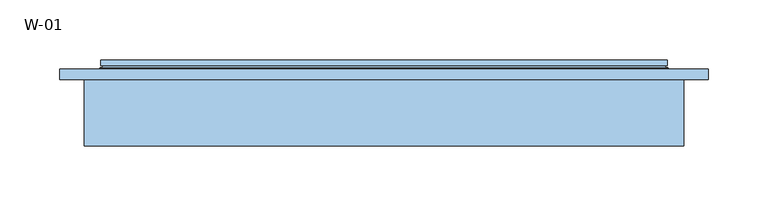
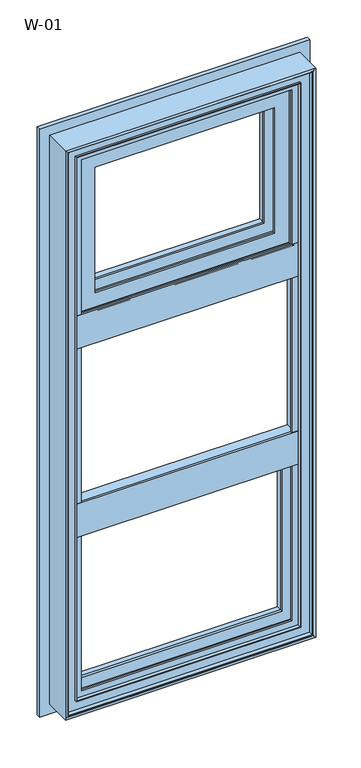
"""IFC4 building model written with IfcOpenShell, lengths in millimetres: window geometry, W-01."""

from ifc_helpers import new_model, si_unit, frame, origin, place, context, project, spatial, polyline, ellipse_curve, outline, extrude, source, transform, mapped, element, save
from ifc_brep_helpers import plane_surface, cylinder_surface, revolved_surface, advanced_brep


def w_01_4d42a8ba(model_context):
    return source(origin(), model_context, "Body", "SolidModel", [
        advanced_brep(
        [(235.8588651, 121.9999121, 1685.8588651), (235.8588651, 121.9999121, 1307.4744682), (235.8588651, 126.5999121, 1307.4744682), (235.8588651, 126.5999121, 1685.8588651), (-235.8588651, 126.5999121, 1685.8588651), (-235.8588651, 126.5999121, 1307.4744682), (199.3588651, 126.5999121, 1649.3588651), (-199.3588651, 126.5999121, 1649.3588651), (-199.3588651, 126.5999121, 1343.9744682), (199.3588651, 126.5999121, 1343.9744682), (-235.8588651, 121.9999121, 1307.4744682), (-235.8588651, 121.9999121, 1685.8588651), (-233.7537664, 121.9999121, 1683.7537664), (233.7537664, 121.9999121, 1683.7537664), (233.7537664, 121.9999121, 1309.5795669), (-233.7537664, 121.9999121, 1309.5795669), (236.4637148, 119.9946866, 1686.4637148), (236.4637148, 119.9946866, 1306.8696185), (-236.4637148, 119.9946866, 1306.8696185), (237.2086873, 118.9999537, 1687.2086873), (237.2086873, 118.9999537, 1306.1246461), (-237.2086873, 118.9999537, 1306.1246461), (-237.2086873, 118.9999537, 1687.2086873), (-218.3588678, 118.9999537, 1668.3588678), (218.3588678, 118.9999537, 1668.3588678), (218.3588678, 118.9999537, 1324.9744656), (-218.3588678, 118.9999537, 1324.9744656), (218.3588678, 76.0999005, 1668.3588678), (218.3588678, 76.0999005, 1324.9744656), (-218.3588678, 76.0999005, 1324.9744656), (217.8588679, 75.5999006, 1667.8588679), (217.8588679, 75.5999006, 1325.4744654), (-217.8588679, 75.5999006, 1325.4744654), (218.144223, 74.6078271, 1668.144223), (218.144223, 74.6078271, 1325.1891103), (-218.144223, 74.6078271, 1325.1891103), (215.4347904, 72.6034445, 1665.4347904), (215.4347904, 72.6034445, 1327.8985429), (-215.4347904, 72.6034445, 1327.8985429), (-215.4347904, 72.6034445, 1665.4347904), (-212.0349667, 72.6034445, 1662.0349667), (212.0349667, 72.6034445, 1662.0349667), (212.0349667, 72.6034445, 1331.2983666), (-212.0349667, 72.6034445, 1331.2983666), (208.8054323, 74.6078271, 1658.8054323), (208.8054323, 74.6078271, 1334.527901), (-208.8054323, 74.6078271, 1334.527901), (208.340576, 75.5999039, 1658.340576), (208.340576, 75.5999039, 1334.9927573), (-208.340576, 75.5999039, 1334.9927573), (-208.340576, 75.5999039, 1658.340576), (-179.3588709, 75.5999039, 1629.3588709), (179.3588709, 75.5999039, 1629.3588709), (179.3588709, 75.5999039, 1363.9744624), (-179.3588709, 75.5999039, 1363.9744624), (179.3588709, 80.1999039, 1629.3588709), (179.3588709, 80.1999039, 1363.9744624), (-179.3588709, 80.1999039, 1363.9744624), (-199.3588651, 80.1999039, 1649.3588651), (199.3588651, 80.1999039, 1649.3588651), (199.3588651, 80.1999039, 1343.9744682), (-199.3588651, 80.1999039, 1343.9744682), (-179.3588709, 80.1999039, 1629.3588709), (-236.4637148, 119.9946866, 1686.4637148), (-218.3588678, 76.0999005, 1668.3588678), (-217.8588679, 75.5999006, 1667.8588679), (-218.144223, 74.6078271, 1668.144223), (-208.8054323, 74.6078271, 1658.8054323)],
        [
            (0, 1),
            (1, 2),
            (2, 3),
            (3, 0),
            (4, 3),
            (2, 5),
            (5, 4),
            (6, 7),
            (7, 8),
            (8, 9),
            (9, 6),
            (1, 10),
            (10, 5),
            (0, 11),
            (11, 10),
            (12, 13),
            (13, 14),
            (14, 15),
            (15, 12),
            (16, 17),
            (17, 14, ellipse_curve(frame((237.5848432, 124.3436113, 1305.7484901), z_axis=(-0.7071067811865475, 0.0, -0.7071067811865475), x_axis=(0.7071067811865474, 0.0, -0.7071067811865476)), 6.3513896, 4.4911107)),
            (13, 16, ellipse_curve(frame((237.5848432, 124.3436113, 1687.5848432), z_axis=(-0.7071067811865475, 0.0, 0.7071067811865475), x_axis=(-0.7071067811865474, 0.0, -0.7071067811865476)), 6.3513896, 4.4911107)),
            (17, 18),
            (18, 15, ellipse_curve(frame((-237.5848432, 124.3436113, 1305.7484901), z_axis=(-0.7071067811865475, 0.0, 0.7071067811865475), x_axis=(-0.7071067811865476, 0.0, -0.7071067811865474)), 6.3513896, 4.4911107)),
            (19, 20),
            (20, 17),
            (16, 19),
            (20, 21),
            (21, 18),
            (19, 22),
            (22, 21),
            (23, 24),
            (24, 25),
            (25, 26),
            (26, 23),
            (27, 28),
            (28, 25),
            (24, 27),
            (28, 29),
            (29, 26),
            (30, 31),
            (31, 28, ellipse_curve(frame((217.8588679, 76.0999005, 1325.4744654), z_axis=(0.7071067811865475, 0.0, 0.7071067811865475), x_axis=(-0.7071067811865474, 0.0, 0.7071067811865476)), 0.7071066, 0.4999999)),
            (27, 30, ellipse_curve(frame((217.8588679, 76.0999005, 1667.8588679), z_axis=(0.7071067811865475, 0.0, -0.7071067811865475), x_axis=(0.7071067811865474, 0.0, 0.7071067811865476)), 0.7071066, 0.4999999)),
            (31, 32),
            (32, 29, ellipse_curve(frame((-217.8588679, 76.0999005, 1325.4744654), z_axis=(0.7071067811865475, 0.0, -0.7071067811865475), x_axis=(0.7071067811865476, 0.0, 0.7071067811865474)), 0.7071066, 0.4999999)),
            (33, 34),
            (34, 31),
            (30, 33),
            (34, 35),
            (35, 32),
            (36, 37),
            (37, 34, ellipse_curve(frame((219.2653514, 70.2589024, 1324.0679819), z_axis=(-0.7071067811865475, 0.0, -0.7071067811865475), x_axis=(0.7071067811865474, 0.0, -0.7071067811865476)), 6.3513896, 4.4911107)),
            (33, 36, ellipse_curve(frame((219.2653514, 70.2589024, 1669.2653514), z_axis=(-0.7071067811865475, 0.0, 0.7071067811865475), x_axis=(-0.7071067811865474, 0.0, -0.7071067811865476)), 6.3513896, 4.4911107)),
            (37, 38),
            (38, 35, ellipse_curve(frame((-219.2653514, 70.2589024, 1324.0679819), z_axis=(-0.7071067811865475, 0.0, 0.7071067811865475), x_axis=(-0.7071067811865476, 0.0, -0.7071067811865474)), 6.3513896, 4.4911107)),
            (36, 39),
            (39, 38),
            (40, 41),
            (41, 42),
            (42, 43),
            (43, 40),
            (44, 45),
            (45, 42, ellipse_curve(frame((208.5540914, 70.5988943, 1334.779242), z_axis=(-0.7071067811865475, 0.0, -0.7071067811865475), x_axis=(0.7071067811865474, 0.0, -0.7071067811865476)), 5.6806187, 4.016804)),
            (41, 44, ellipse_curve(frame((208.5540914, 70.5988943, 1658.5540914), z_axis=(-0.7071067811865475, 0.0, 0.7071067811865475), x_axis=(-0.7071067811865474, 0.0, -0.7071067811865476)), 5.6806187, 4.016804)),
            (45, 46),
            (46, 43, ellipse_curve(frame((-208.5540914, 70.5988943, 1334.779242), z_axis=(-0.7071067811865475, 0.0, 0.7071067811865475), x_axis=(-0.7071067811865476, 0.0, -0.7071067811865474)), 5.6806187, 4.016804)),
            (47, 48),
            (48, 45),
            (44, 47),
            (48, 49),
            (49, 46),
            (47, 50),
            (50, 49),
            (51, 52),
            (52, 53),
            (53, 54),
            (54, 51),
            (55, 56),
            (56, 53),
            (52, 55),
            (56, 57),
            (57, 54),
            (58, 59),
            (59, 60),
            (60, 61),
            (61, 58),
            (55, 62),
            (62, 57),
            (9, 60),
            (59, 6),
            (8, 61),
            (11, 4),
            (18, 63),
            (63, 12, ellipse_curve(frame((-237.5848432, 124.3436113, 1687.5848432), z_axis=(0.7071067811865475, 0.0, 0.7071067811865475), x_axis=(-0.7071067811865474, 0.0, 0.7071067811865476)), 6.3513896, 4.4911107)),
            (22, 63),
            (29, 64),
            (64, 23),
            (32, 65),
            (65, 64, ellipse_curve(frame((-217.8588679, 76.0999005, 1667.8588679), z_axis=(-0.7071067811865475, 0.0, -0.7071067811865475), x_axis=(0.7071067811865474, 0.0, -0.7071067811865476)), 0.7071066, 0.4999999)),
            (35, 66),
            (66, 65),
            (39, 66, ellipse_curve(frame((-219.2653514, 70.2589024, 1669.2653514), z_axis=(0.7071067811865475, 0.0, 0.7071067811865475), x_axis=(-0.7071067811865474, 0.0, 0.7071067811865476)), 6.3513896, 4.4911107)),
            (46, 67),
            (67, 40, ellipse_curve(frame((-208.5540914, 70.5988943, 1658.5540914), z_axis=(0.7071067811865475, 0.0, 0.7071067811865475), x_axis=(-0.7071067811865474, 0.0, 0.7071067811865476)), 5.6806187, 4.016804)),
            (50, 67),
            (62, 51),
            (7, 58),
            (63, 16),
            (64, 27),
            (65, 30),
            (66, 33),
            (67, 44),
        ],
        [
            plane_surface(frame((235.8588651, 126.5999121, 1685.8588651), z_axis=(1.0, 0.0, 0.0), x_axis=(0.0, 0.0, -1.0))),
            plane_surface(frame((-199.3588651, 126.5999121, 1343.9744682), z_axis=(0.0, 1.0, 0.0), x_axis=(0.0, 0.0, 1.0))),
            plane_surface(frame((235.8588651, 126.5999121, 1307.4744682), z_axis=(0.0, 0.0, -1.0), x_axis=(-1.0, 0.0, 0.0))),
            plane_surface(frame((-235.8588651, 121.9999121, 1307.4744682), z_axis=(0.0, -1.0, 0.0), x_axis=(0.0, 0.0, 1.0))),
            revolved_surface(polyline([(242.0759539, 124.3436113, 1301.2573794438822), (242.0759539, 124.3436113, 1692.0759538561178)]), (237.5848432, 124.3436113, 1700.0), (0.0, 0.0, -1.0)),
            revolved_surface(polyline([(-242.07595385611774, 124.3436113, 1301.2573794), (242.0759538561177, 124.3436113, 1301.2573794)]), (250.0, 124.3436113, 1305.7484901), (-1.0, 0.0, 0.0)),
            plane_surface(frame((236.4637148, 119.9946866, 1686.4637148), z_axis=(0.8004158635848707, 0.5994451145198247, 0.0), x_axis=(0.0, 0.0, -1.0))),
            plane_surface(frame((236.4637148, 119.9946866, 1306.8696185), z_axis=(0.0, 0.5994451145198296, -0.800415863584867), x_axis=(-1.0, 0.0, 0.0))),
            plane_surface(frame((-237.2086873, 118.9999537, 1306.1246461), z_axis=(0.0, -1.0, 0.0), x_axis=(0.0, 0.0, 1.0))),
            plane_surface(frame((218.3588678, 118.9999537, 1668.3588678), z_axis=(1.0, 0.0, 0.0), x_axis=(0.0, 0.0, -1.0))),
            plane_surface(frame((218.3588678, 118.9999537, 1324.9744656), z_axis=(0.0, 0.0, -1.0), x_axis=(-1.0, 0.0, 0.0))),
            cylinder_surface(frame((217.8588679, 76.0999005, 1700.0), z_axis=(0.0, 0.0, 1.0), x_axis=(1.0, 0.0, 0.0)), 0.4999999),
            cylinder_surface(frame((250.0, 76.0999005, 1325.4744654), z_axis=(1.0, 0.0, 0.0), x_axis=(0.0, 0.0, -1.0)), 0.4999999),
            plane_surface(frame((217.8588679, 75.5999006, 1667.8588679), z_axis=(0.9610348327667624, 0.27642729642522856, 0.0), x_axis=(0.0, 0.0, -1.0))),
            plane_surface(frame((217.8588679, 75.5999006, 1325.4744654), z_axis=(0.0, 0.27642729642523445, -0.9610348327667607), x_axis=(-1.0, 0.0, 0.0))),
            revolved_surface(polyline([(223.7564621, 70.2589024, 1319.5768712438821), (223.7564621, 70.2589024, 1673.756462056118)]), (219.2653514, 70.2589024, 1700.0), (0.0, 0.0, -1.0)),
            revolved_surface(polyline([(-223.7564620561177, 70.2589024, 1319.5768712), (223.7564620561177, 70.2589024, 1319.5768712)]), (250.0, 70.2589024, 1324.0679819), (-1.0, 0.0, 0.0)),
            plane_surface(frame((-215.4347904, 72.6034445, 1327.8985429), z_axis=(0.0, -1.0, 0.0), x_axis=(0.0, 0.0, 1.0))),
            revolved_surface(polyline([(212.5708954, 70.5988943, 1330.762437995895), (212.5708954, 70.5988943, 1662.5708954041052)]), (208.5540914, 70.5988943, 1700.0), (0.0, 0.0, -1.0)),
            revolved_surface(polyline([(-212.5708954041051, 70.5988943, 1330.762438), (212.5708954041051, 70.5988943, 1330.762438)]), (250.0, 70.5988943, 1334.779242), (-1.0, 0.0, 0.0)),
            plane_surface(frame((208.8054323, 74.6078271, 1658.8054323), z_axis=(-0.9055219642805072, -0.4242993898246519, 0.0), x_axis=(0.0, 0.0, -1.0))),
            plane_surface(frame((208.8054323, 74.6078271, 1334.527901), z_axis=(0.0, -0.4242993898246574, 0.9055219642805047), x_axis=(-1.0, 0.0, 0.0))),
            plane_surface(frame((-208.340576, 75.5999039, 1334.9927573), z_axis=(0.0, -1.0, 0.0), x_axis=(0.0, 0.0, 1.0))),
            plane_surface(frame((179.3588709, 75.5999039, 1629.3588709), z_axis=(-1.0, 0.0, 0.0), x_axis=(0.0, 0.0, -1.0))),
            plane_surface(frame((179.3588709, 75.5999039, 1363.9744624), z_axis=(0.0, 0.0, 1.0), x_axis=(-1.0, 0.0, 0.0))),
            plane_surface(frame((-179.3588709, 80.1999039, 1363.9744624), z_axis=(0.0, 1.0, 0.0), x_axis=(0.0, 0.0, 1.0))),
            plane_surface(frame((199.3588651, 80.1999039, 1649.3588651), z_axis=(-1.0, 0.0, 0.0), x_axis=(0.0, 0.0, -1.0))),
            plane_surface(frame((199.3588651, 80.1999039, 1343.9744682), z_axis=(0.0, 0.0, 1.0), x_axis=(-1.0, 0.0, 0.0))),
            plane_surface(frame((-235.8588651, 126.5999121, 1307.4744682), z_axis=(-1.0, 0.0, 0.0), x_axis=(0.0, 0.0, 1.0))),
            revolved_surface(polyline([(-242.0759539, 124.3436113, 1692.0759538561178), (-242.0759539, 124.3436113, 1301.2573794438822)]), (-237.5848432, 124.3436113, 1293.3333333), (0.0, 0.0, 1.0)),
            plane_surface(frame((-236.4637148, 119.9946866, 1306.8696185), z_axis=(-0.8004158635848634, 0.5994451145198345, 0.0), x_axis=(0.0, 0.0, 1.0))),
            plane_surface(frame((-218.3588678, 118.9999537, 1324.9744656), z_axis=(-1.0, 0.0, 0.0), x_axis=(0.0, 0.0, 1.0))),
            cylinder_surface(frame((-217.8588679, 76.0999005, 1293.3333333), z_axis=(0.0, 0.0, -1.0), x_axis=(-1.0, 0.0, 0.0)), 0.4999999),
            plane_surface(frame((-217.8588679, 75.5999006, 1325.4744654), z_axis=(-0.961034832766759, 0.27642729642524033, 0.0), x_axis=(0.0, 0.0, 1.0))),
            revolved_surface(polyline([(-223.7564621, 70.2589024, 1673.756462056118), (-223.7564621, 70.2589024, 1319.5768712438821)]), (-219.2653514, 70.2589024, 1293.3333333), (0.0, 0.0, 1.0)),
            revolved_surface(polyline([(-212.5708954, 70.5988943, 1662.5708954041052), (-212.5708954, 70.5988943, 1330.762437995895)]), (-208.5540914, 70.5988943, 1293.3333333), (0.0, 0.0, 1.0)),
            plane_surface(frame((-208.8054323, 74.6078271, 1334.527901), z_axis=(0.9055219642805021, -0.424299389824663, 0.0), x_axis=(0.0, 0.0, 1.0))),
            plane_surface(frame((-179.3588709, 75.5999039, 1363.9744624), z_axis=(1.0, 0.0, 0.0), x_axis=(0.0, 0.0, 1.0))),
            plane_surface(frame((-199.3588651, 80.1999039, 1343.9744682), z_axis=(1.0, 0.0, 0.0), x_axis=(0.0, 0.0, 1.0))),
            plane_surface(frame((-235.8588651, 126.5999121, 1685.8588651), z_axis=(0.0, 0.0, 1.0), x_axis=(1.0, 0.0, 0.0))),
            revolved_surface(polyline([(242.07595385611774, 124.3436113, 1692.0759539), (-242.0759538561177, 124.3436113, 1692.0759539)]), (-250.0, 124.3436113, 1687.5848432), (1.0, 0.0, 0.0)),
            plane_surface(frame((-236.4637148, 119.9946866, 1686.4637148), z_axis=(0.0, 0.5994451145198296, 0.800415863584867), x_axis=(1.0, 0.0, 0.0))),
            plane_surface(frame((-218.3588678, 118.9999537, 1668.3588678), z_axis=(0.0, 0.0, 1.0), x_axis=(1.0, 0.0, 0.0))),
            cylinder_surface(frame((-250.0, 76.0999005, 1667.8588679), z_axis=(-1.0, 0.0, 0.0), x_axis=(0.0, 0.0, 1.0)), 0.4999999),
            plane_surface(frame((-217.8588679, 75.5999006, 1667.8588679), z_axis=(0.0, 0.27642729642523445, 0.9610348327667607), x_axis=(1.0, 0.0, 0.0))),
            revolved_surface(polyline([(223.7564620561177, 70.2589024, 1673.7564621000001), (-223.7564620561177, 70.2589024, 1673.7564621000001)]), (-250.0, 70.2589024, 1669.2653514), (1.0, 0.0, 0.0)),
            revolved_surface(polyline([(212.5708954041051, 70.5988943, 1662.5708954000002), (-212.5708954041051, 70.5988943, 1662.5708954000002)]), (-250.0, 70.5988943, 1658.5540914), (1.0, 0.0, 0.0)),
            plane_surface(frame((-208.8054323, 74.6078271, 1658.8054323), z_axis=(0.0, -0.4242993898246574, -0.9055219642805047), x_axis=(1.0, 0.0, 0.0))),
            plane_surface(frame((-179.3588709, 75.5999039, 1629.3588709), z_axis=(0.0, 0.0, -1.0), x_axis=(1.0, 0.0, 0.0))),
            plane_surface(frame((-199.3588651, 80.1999039, 1649.3588651), z_axis=(0.0, 0.0, -1.0), x_axis=(1.0, 0.0, 0.0))),
        ],
        [
            (0, [[1, 2, 3, 4]]),
            (1, [[5, -3, 6, 7], [8, 9, 10, 11]]),
            (2, [[12, 13, -6, -2]]),
            (3, [[14, 15, -12, -1], [16, 17, 18, 19]]),
            (4, [[20, 21, -17, 22]]),
            (5, [[23, 24, -18, -21]]),
            (6, [[25, 26, -20, 27]]),
            (7, [[28, 29, -23, -26]]),
            (8, [[30, 31, -28, -25], [32, 33, 34, 35]]),
            (9, [[36, 37, -33, 38]]),
            (10, [[39, 40, -34, -37]]),
            (11, [[41, 42, -36, 43]]),
            (12, [[44, 45, -39, -42]]),
            (13, [[46, 47, -41, 48]]),
            (14, [[49, 50, -44, -47]]),
            (15, [[51, 52, -46, 53]]),
            (16, [[54, 55, -49, -52]]),
            (17, [[56, 57, -54, -51], [58, 59, 60, 61]]),
            (18, [[62, 63, -59, 64]]),
            (19, [[65, 66, -60, -63]]),
            (20, [[67, 68, -62, 69]]),
            (21, [[70, 71, -65, -68]]),
            (22, [[72, 73, -70, -67], [74, 75, 76, 77]]),
            (23, [[78, 79, -75, 80]]),
            (24, [[81, 82, -76, -79]]),
            (25, [[83, 84, 85, 86], [87, 88, -81, -78]]),
            (26, [[-11, 89, -84, 90]]),
            (27, [[-10, 91, -85, -89]]),
            (28, [[-15, 92, -7, -13]]),
            (29, [[93, 94, -19, -24]]),
            (30, [[-31, 95, -93, -29]]),
            (31, [[96, 97, -35, -40]]),
            (32, [[98, 99, -96, -45]]),
            (33, [[100, 101, -98, -50]]),
            (34, [[-57, 102, -100, -55]]),
            (35, [[103, 104, -61, -66]]),
            (36, [[-73, 105, -103, -71]]),
            (37, [[-88, 106, -77, -82]]),
            (38, [[-9, 107, -86, -91]]),
            (39, [[-14, -4, -5, -92]]),
            (40, [[108, -22, -16, -94]]),
            (41, [[-30, -27, -108, -95]]),
            (42, [[109, -38, -32, -97]]),
            (43, [[110, -43, -109, -99]]),
            (44, [[111, -48, -110, -101]]),
            (45, [[-56, -53, -111, -102]]),
            (46, [[112, -64, -58, -104]]),
            (47, [[-72, -69, -112, -105]]),
            (48, [[-87, -80, -74, -106]]),
            (49, [[-8, -90, -83, -107]]),
        ],
    ),
        extrude(outline(polyline([(68.9990172, 1263.3332985), (68.9990172, 1333.333336), (72.5990172, 1333.333336), (72.5990172, 1313.333352), (118.9999375, 1313.333352), (118.9999375, 1283.3333146), (72.5990172, 1283.3333146), (72.5990172, 1263.3332985), (68.9990172, 1263.3332985)])), frame((-230.0, 0.0, 0.0), z_axis=(1.0, 0.0, 0.0), x_axis=(0.0, 1.0, 0.0)), (0.0, 0.0, 1.0), 460.0),
        advanced_brep(
        [(-179.4, 115.322822, 1629.4), (-177.2575034, 107.9927198, 1627.2575034), (-177.2575034, 107.9927198, 1366.0758299), (-179.4, 115.322822, 1363.9333333), (-179.4, 126.5999122, 1629.4), (-179.4, 126.5999122, 1363.9333333), (-199.4, 107.9927198, 1649.4), (-199.4, 126.5999122, 1649.4), (-199.4, 126.5999122, 1343.9333333), (-199.4, 107.9927198, 1343.9333333), (177.2575034, 107.9927198, 1366.0758299), (179.4, 115.322822, 1363.9333333), (179.4, 126.5999122, 1363.9333333), (199.4, 126.5999122, 1343.9333333), (199.4, 107.9927198, 1343.9333333), (177.2575034, 107.9927198, 1627.2575034), (179.4, 115.322822, 1629.4), (179.4, 126.5999122, 1629.4), (199.4, 126.5999122, 1649.4), (199.4, 107.9927198, 1649.4)],
        [
            (0, 1, ellipse_curve(frame((-159.7925883, 117.0756581, 1609.7925883), z_axis=(0.7071067811865475, 0.0, 0.7071067811865475), x_axis=(0.7071067811865474, 0.0, -0.7071067811865476)), 27.839649, 19.6856046)),
            (1, 2),
            (2, 3, ellipse_curve(frame((-159.7925883, 117.0756581, 1383.5407451), z_axis=(0.7071067811865475, 0.0, -0.7071067811865475), x_axis=(-0.7071067811865474, 0.0, -0.7071067811865476)), 27.839649, 19.6856046)),
            (3, 0),
            (4, 0),
            (3, 5),
            (5, 4),
            (6, 7),
            (7, 8),
            (8, 9),
            (9, 6),
            (2, 10),
            (10, 11, ellipse_curve(frame((159.7925883, 117.0756581, 1383.5407451), z_axis=(0.7071067811865475, 0.0, 0.7071067811865475), x_axis=(0.7071067811865476, 0.0, -0.7071067811865474)), 27.839649, 19.6856046)),
            (11, 3),
            (11, 12),
            (12, 5),
            (8, 13),
            (13, 14),
            (14, 9),
            (10, 15),
            (15, 16, ellipse_curve(frame((159.7925883, 117.0756581, 1609.7925883), z_axis=(-0.7071067811865475, 0.0, 0.7071067811865475), x_axis=(0.7071067811865474, 0.0, 0.7071067811865476)), 27.839649, 19.6856046)),
            (16, 11),
            (16, 17),
            (17, 12),
            (13, 18),
            (18, 19),
            (19, 14),
            (19, 6),
            (1, 15),
            (0, 16),
            (4, 17),
            (7, 18),
        ],
        [
            revolved_surface(polyline([(-179.4781929, 117.0756581, 1363.8551405062467), (-179.4781929, 117.0756581, 1629.4781928937534)]), (-159.7925883, 117.0756581, 1649.4), (0.0, 0.0, -1.0)),
            plane_surface(frame((-179.4, 115.322822, 1629.4), z_axis=(1.0, 0.0, 0.0), x_axis=(0.0, 0.0, -1.0))),
            plane_surface(frame((-199.4, 126.5999122, 1649.4), z_axis=(-1.0, 0.0, 0.0), x_axis=(0.0, 0.0, -1.0))),
            revolved_surface(polyline([(179.4781928937533, 117.0756581, 1363.8551405), (-179.4781928937533, 117.0756581, 1363.8551405)]), (-199.4, 117.0756581, 1383.5407451), (1.0, 0.0, 0.0)),
            plane_surface(frame((-179.4, 115.322822, 1363.9333333), z_axis=(0.0, 0.0, 1.0), x_axis=(1.0, 0.0, 0.0))),
            plane_surface(frame((-199.4, 126.5999122, 1343.9333333), z_axis=(0.0, 0.0, -1.0), x_axis=(1.0, 0.0, 0.0))),
            revolved_surface(polyline([(179.4781929, 117.0756581, 1629.4781928937532), (179.4781929, 117.0756581, 1363.8551405062467)]), (159.7925883, 117.0756581, 1343.9333333), (0.0, 0.0, 1.0)),
            plane_surface(frame((179.4, 115.322822, 1363.9333333), z_axis=(-1.0, 0.0, 0.0), x_axis=(0.0, 0.0, 1.0))),
            plane_surface(frame((199.4, 126.5999122, 1343.9333333), z_axis=(1.0, 0.0, 0.0), x_axis=(0.0, 0.0, 1.0))),
            plane_surface(frame((199.4, 107.9927198, 1649.4), z_axis=(0.0, -1.0, 0.0), x_axis=(-1.0, 0.0, 0.0))),
            revolved_surface(polyline([(-179.4781928937533, 117.0756581, 1629.4781929), (179.4781928937533, 117.0756581, 1629.4781929)]), (199.4, 117.0756581, 1609.7925883), (-1.0, 0.0, 0.0)),
            plane_surface(frame((179.4, 115.322822, 1629.4), z_axis=(0.0, 0.0, -1.0), x_axis=(-1.0, 0.0, 0.0))),
            plane_surface(frame((179.4, 126.5999122, 1629.4), z_axis=(0.0, 1.0, 0.0), x_axis=(-1.0, 0.0, 0.0))),
            plane_surface(frame((199.4, 126.5999122, 1649.4), z_axis=(0.0, 0.0, 1.0), x_axis=(-1.0, 0.0, 0.0))),
        ],
        [
            (0, [[1, 2, 3, 4]]),
            (1, [[5, -4, 6, 7]]),
            (2, [[8, 9, 10, 11]]),
            (3, [[-3, 12, 13, 14]]),
            (4, [[-6, -14, 15, 16]]),
            (5, [[-10, 17, 18, 19]]),
            (6, [[-13, 20, 21, 22]]),
            (7, [[-15, -22, 23, 24]]),
            (8, [[-18, 25, 26, 27]]),
            (9, [[-19, -27, 28, -11], [29, -20, -12, -2]]),
            (10, [[-21, -29, -1, 30]]),
            (11, [[-23, -30, -5, 31]]),
            (12, [[32, -25, -17, -9], [-16, -24, -31, -7]]),
            (13, [[-26, -32, -8, -28]]),
        ],
    ),
        extrude(outline(polyline([(68.9990172, 866.6666318), (68.9990172, 936.6666693), (72.5990172, 936.6666693), (72.5990172, 916.6666854), (118.9999375, 916.6666854), (118.9999375, 886.6666479), (72.5990172, 886.6666479), (72.5990172, 866.6666318), (68.9990172, 866.6666318)])), frame((-230.0, 0.0, 0.0), z_axis=(1.0, 0.0, 0.0), x_axis=(0.0, 1.0, 0.0)), (0.0, 0.0, 1.0), 460.0),
        advanced_brep(
        [(-210.0, 107.7228474, 866.6666667), (-207.8575034, 100.3927452, 864.5241701), (-207.8575034, 100.3927452, 542.1424966), (-210.0, 107.7228474, 540.0), (-210.0, 118.9999377, 866.6666667), (-210.0, 118.9999377, 540.0), (-230.0, 100.3927452, 886.6666667), (-230.0, 118.9999377, 886.6666667), (-230.0, 118.9999377, 520.0), (-230.0, 100.3927452, 520.0), (207.8575034, 100.3927452, 542.1424966), (210.0, 107.7228474, 540.0), (210.0, 118.9999377, 540.0), (230.0, 118.9999377, 520.0), (230.0, 100.3927452, 520.0), (207.8575034, 100.3927452, 864.5241701), (210.0, 107.7228474, 866.6666667), (210.0, 118.9999377, 866.6666667), (230.0, 118.9999377, 886.6666667), (230.0, 100.3927452, 886.6666667)],
        [
            (0, 1, ellipse_curve(frame((-190.3925883, 109.4756835, 847.0592549), z_axis=(0.7071067811865475, 0.0, 0.7071067811865475), x_axis=(0.7071067811865474, 0.0, -0.7071067811865476)), 27.839649, 19.6856046)),
            (1, 2),
            (2, 3, ellipse_curve(frame((-190.3925883, 109.4756835, 559.6074117), z_axis=(0.7071067811865475, 0.0, -0.7071067811865475), x_axis=(-0.7071067811865474, 0.0, -0.7071067811865476)), 27.839649, 19.6856046)),
            (3, 0),
            (4, 0),
            (3, 5),
            (5, 4),
            (6, 7),
            (7, 8),
            (8, 9),
            (9, 6),
            (2, 10),
            (10, 11, ellipse_curve(frame((190.3925883, 109.4756835, 559.6074117), z_axis=(0.7071067811865475, 0.0, 0.7071067811865475), x_axis=(0.7071067811865476, 0.0, -0.7071067811865474)), 27.839649, 19.6856046)),
            (11, 3),
            (11, 12),
            (12, 5),
            (8, 13),
            (13, 14),
            (14, 9),
            (10, 15),
            (15, 16, ellipse_curve(frame((190.3925883, 109.4756835, 847.0592549), z_axis=(-0.7071067811865475, 0.0, 0.7071067811865475), x_axis=(0.7071067811865474, 0.0, 0.7071067811865476)), 27.839649, 19.6856046)),
            (16, 11),
            (16, 17),
            (17, 12),
            (13, 18),
            (18, 19),
            (19, 14),
            (19, 6),
            (1, 15),
            (0, 16),
            (4, 17),
            (7, 18),
        ],
        [
            revolved_surface(polyline([(-210.0781929, 109.4756835, 539.9218071062467), (-210.0781929, 109.4756835, 866.7448594937533)]), (-190.3925883, 109.4756835, 886.6666667), (0.0, 0.0, -1.0)),
            plane_surface(frame((-210.0, 107.7228474, 866.6666667), z_axis=(1.0, 0.0, 0.0), x_axis=(0.0, 0.0, -1.0))),
            plane_surface(frame((-230.0, 118.9999377, 886.6666667), z_axis=(-1.0, 0.0, 0.0), x_axis=(0.0, 0.0, -1.0))),
            revolved_surface(polyline([(210.07819289375328, 109.4756835, 539.9218070999999), (-210.07819289375328, 109.4756835, 539.9218070999999)]), (-230.0, 109.4756835, 559.6074117), (1.0, 0.0, 0.0)),
            plane_surface(frame((-210.0, 107.7228474, 540.0), z_axis=(0.0, 0.0, 1.0), x_axis=(1.0, 0.0, 0.0))),
            plane_surface(frame((-230.0, 118.9999377, 520.0), z_axis=(0.0, 0.0, -1.0), x_axis=(1.0, 0.0, 0.0))),
            revolved_surface(polyline([(210.0781929, 109.4756835, 866.7448594937533), (210.0781929, 109.4756835, 539.9218071062467)]), (190.3925883, 109.4756835, 520.0), (0.0, 0.0, 1.0)),
            plane_surface(frame((210.0, 107.7228474, 540.0), z_axis=(-1.0, 0.0, 0.0), x_axis=(0.0, 0.0, 1.0))),
            plane_surface(frame((230.0, 118.9999377, 520.0), z_axis=(1.0, 0.0, 0.0), x_axis=(0.0, 0.0, 1.0))),
            plane_surface(frame((230.0, 100.3927452, 886.6666667), z_axis=(0.0, -1.0, 0.0), x_axis=(-1.0, 0.0, 0.0))),
            revolved_surface(polyline([(-210.07819289375328, 109.4756835, 866.7448595000001), (210.07819289375328, 109.4756835, 866.7448595000001)]), (230.0, 109.4756835, 847.0592549), (-1.0, 0.0, 0.0)),
            plane_surface(frame((210.0, 107.7228474, 866.6666667), z_axis=(0.0, 0.0, -1.0), x_axis=(-1.0, 0.0, 0.0))),
            plane_surface(frame((210.0, 118.9999377, 866.6666667), z_axis=(0.0, 1.0, 0.0), x_axis=(-1.0, 0.0, 0.0))),
            plane_surface(frame((230.0, 118.9999377, 886.6666667), z_axis=(0.0, 0.0, 1.0), x_axis=(-1.0, 0.0, 0.0))),
        ],
        [
            (0, [[1, 2, 3, 4]]),
            (1, [[5, -4, 6, 7]]),
            (2, [[8, 9, 10, 11]]),
            (3, [[-3, 12, 13, 14]]),
            (4, [[-6, -14, 15, 16]]),
            (5, [[-10, 17, 18, 19]]),
            (6, [[-13, 20, 21, 22]]),
            (7, [[-15, -22, 23, 24]]),
            (8, [[-18, 25, 26, 27]]),
            (9, [[-19, -27, 28, -11], [29, -20, -12, -2]]),
            (10, [[-21, -29, -1, 30]]),
            (11, [[-23, -30, -5, 31]]),
            (12, [[32, -25, -17, -9], [-16, -24, -31, -7]]),
            (13, [[-26, -32, -8, -28]]),
        ],
    ),
        advanced_brep(
        [(270.000038, 110.0, 1720.000038), (270.000038, 110.0, 479.999962), (270.000038, 118.9999375, 479.999962), (270.000038, 118.9999375, 1720.000038), (-270.000038, 118.9999375, 1720.000038), (-270.000038, 118.9999375, 479.999962), (230.0000396, 118.9999375, 1680.0000396), (-230.0000396, 118.9999375, 1680.0000396), (-230.0000396, 118.9999375, 519.9999604), (230.0000396, 118.9999375, 519.9999604), (-270.000038, 110.0, 479.999962), (-270.000038, 110.0, 1720.000038), (-250.0, 110.0, 1700.0), (250.0, 110.0, 1700.0), (250.0, 110.0, 500.0), (-250.0, 110.0, 500.0), (250.0, 54.8507969, 1700.0), (250.0, 54.8507969, 500.0), (-250.0, 54.8507969, 500.0), (245.0001465, 54.8506112, 1695.0001465), (245.0001465, 54.8506112, 504.9998535), (-245.0001465, 54.8506112, 504.9998535), (245.0001465, 56.5920405, 1695.0001465), (245.0001465, 56.5920405, 504.9998535), (-245.0001465, 56.5920405, 504.9998535), (243.8001794, 56.5908144, 1693.8001794), (243.8001794, 56.5908144, 506.1998206), (-243.8001794, 56.5908144, 506.1998206), (243.8001794, 65.9999813, 1693.8001794), (243.8001794, 65.9999813, 506.1998206), (-243.8001794, 65.9999813, 506.1998206), (-243.8001794, 65.9999813, 1693.8001794), (-224.2001794, 65.9999813, 1674.2001794), (224.2001794, 65.9999813, 1674.2001794), (224.2001794, 65.9999813, 525.7998206), (-224.2001794, 65.9999813, 525.7998206), (224.2001794, 61.9999728, 1674.2001794), (224.2001794, 61.9999728, 525.7998206), (-224.2001794, 61.9999728, 525.7998206), (-224.2001794, 61.9999728, 1674.2001794), (-222.6156704, 61.9999728, 1672.6156704), (222.6156704, 61.9999728, 1672.6156704), (222.6156704, 61.9999728, 527.3843296), (-222.6156704, 61.9999728, 527.3843296), (222.8755675, 68.9999299, 1672.8755675), (222.8755675, 68.9999299, 527.1244325), (-222.8755675, 68.9999299, 527.1244325), (-222.8755675, 68.9999299, 1672.8755675), (-210.0002274, 68.9999299, 1660.0002274), (210.0002274, 68.9999299, 1660.0002274), (210.0002274, 68.9999299, 539.9997726), (-210.0002274, 68.9999299, 539.9997726), (210.0002274, 72.5999758, 1660.0002274), (210.0002274, 72.5999758, 539.9997726), (-210.0002274, 72.5999758, 539.9997726), (-230.0000396, 72.5999758, 1680.0000396), (230.0000396, 72.5999758, 1680.0000396), (230.0000396, 72.5999758, 519.9999604), (-230.0000396, 72.5999758, 519.9999604), (-210.0002274, 72.5999758, 1660.0002274), (-250.0, 54.8507969, 1700.0), (-245.0001465, 54.8506112, 1695.0001465), (-245.0001465, 56.5920405, 1695.0001465), (-243.8001794, 56.5908144, 1693.8001794)],
        [
            (0, 1),
            (1, 2),
            (2, 3),
            (3, 0),
            (4, 3),
            (2, 5),
            (5, 4),
            (6, 7),
            (7, 8),
            (8, 9),
            (9, 6),
            (1, 10),
            (10, 5),
            (0, 11),
            (11, 10),
            (12, 13),
            (13, 14),
            (14, 15),
            (15, 12),
            (16, 17),
            (17, 14),
            (13, 16),
            (17, 18),
            (18, 15),
            (19, 20),
            (20, 17, ellipse_curve(frame((247.5001465, 52.8785929, 502.4998535), z_axis=(-0.7071067811865475, 0.0, -0.7071067811865475), x_axis=(0.7071067811865474, 0.0, -0.7071067811865476)), 4.5030781, 3.184157)),
            (16, 19, ellipse_curve(frame((247.5001465, 52.8785929, 1697.5001465), z_axis=(-0.7071067811865475, 0.0, 0.7071067811865475), x_axis=(-0.7071067811865474, 0.0, -0.7071067811865476)), 4.5030781, 3.184157)),
            (20, 21),
            (21, 18, ellipse_curve(frame((-247.5001465, 52.8785929, 502.4998535), z_axis=(-0.7071067811865475, 0.0, 0.7071067811865475), x_axis=(-0.7071067811865476, 0.0, -0.7071067811865474)), 4.5030781, 3.184157)),
            (22, 23),
            (23, 20),
            (19, 22),
            (23, 24),
            (24, 21),
            (25, 26),
            (26, 23, ellipse_curve(frame((244.4001534, 56.6007652, 505.5998466), z_axis=(0.7071067811865475, 0.0, 0.7071067811865475), x_axis=(-0.7071067811865474, 0.0, 0.7071067811865476)), 0.8486081, 0.6000566)),
            (22, 25, ellipse_curve(frame((244.4001534, 56.6007652, 1694.4001534), z_axis=(0.7071067811865475, 0.0, -0.7071067811865475), x_axis=(0.7071067811865474, 0.0, 0.7071067811865476)), 0.8486081, 0.6000566)),
            (26, 27),
            (27, 24, ellipse_curve(frame((-244.4001534, 56.6007652, 505.5998466), z_axis=(0.7071067811865475, 0.0, -0.7071067811865475), x_axis=(0.7071067811865476, 0.0, 0.7071067811865474)), 0.8486081, 0.6000566)),
            (28, 29),
            (29, 26),
            (25, 28),
            (29, 30),
            (30, 27),
            (28, 31),
            (31, 30),
            (32, 33),
            (33, 34),
            (34, 35),
            (35, 32),
            (36, 37),
            (37, 34),
            (33, 36),
            (37, 38),
            (38, 35),
            (36, 39),
            (39, 38),
            (40, 41),
            (41, 42),
            (42, 43),
            (43, 40),
            (44, 45),
            (45, 42),
            (41, 44),
            (45, 46),
            (46, 43),
            (44, 47),
            (47, 46),
            (48, 49),
            (49, 50),
            (50, 51),
            (51, 48),
            (52, 53),
            (53, 50),
            (49, 52),
            (53, 54),
            (54, 51),
            (55, 56),
            (56, 57),
            (57, 58),
            (58, 55),
            (52, 59),
            (59, 54),
            (9, 57),
            (56, 6),
            (8, 58),
            (11, 4),
            (18, 60),
            (60, 12),
            (21, 61),
            (61, 60, ellipse_curve(frame((-247.5001465, 52.8785929, 1697.5001465), z_axis=(0.7071067811865475, 0.0, 0.7071067811865475), x_axis=(-0.7071067811865474, 0.0, 0.7071067811865476)), 4.5030781, 3.184157)),
            (24, 62),
            (62, 61),
            (27, 63),
            (63, 62, ellipse_curve(frame((-244.4001534, 56.6007652, 1694.4001534), z_axis=(-0.7071067811865475, 0.0, -0.7071067811865475), x_axis=(0.7071067811865474, 0.0, -0.7071067811865476)), 0.8486081, 0.6000566)),
            (31, 63),
            (39, 32),
            (47, 40),
            (59, 48),
            (7, 55),
            (60, 16),
            (61, 19),
            (62, 22),
            (63, 25),
        ],
        [
            plane_surface(frame((270.000038, 118.9999375, 1720.000038), z_axis=(1.0, 0.0, 0.0), x_axis=(0.0, 0.0, -1.0))),
            plane_surface(frame((-230.0000396, 118.9999375, 519.9999604), z_axis=(0.0, 1.0, 0.0), x_axis=(0.0, 0.0, 1.0))),
            plane_surface(frame((270.000038, 118.9999375, 479.999962), z_axis=(0.0, 0.0, -1.0), x_axis=(-1.0, 0.0, 0.0))),
            plane_surface(frame((-270.000038, 110.0, 479.999962), z_axis=(0.0, -1.0, 0.0), x_axis=(0.0, 0.0, 1.0))),
            plane_surface(frame((250.0, 110.0, 1700.0), z_axis=(1.0, 0.0, 0.0), x_axis=(0.0, 0.0, -1.0))),
            plane_surface(frame((250.0, 110.0, 500.0), z_axis=(0.0, 0.0, -1.0), x_axis=(-1.0, 0.0, 0.0))),
            revolved_surface(polyline([(250.6843035, 52.8785929, 499.3156964392774), (250.6843035, 52.8785929, 1700.6843035607226)]), (247.5001465, 52.8785929, 1700.0), (0.0, 0.0, -1.0)),
            revolved_surface(polyline([(-250.68430356072264, 52.8785929, 499.31569649999994), (250.68430356072264, 52.8785929, 499.31569649999994)]), (250.0, 52.8785929, 502.4998535), (-1.0, 0.0, 0.0)),
            plane_surface(frame((245.0001465, 54.8506112, 1695.0001465), z_axis=(-1.0, 0.0, 0.0), x_axis=(0.0, 0.0, -1.0))),
            plane_surface(frame((245.0001465, 54.8506112, 504.9998535), z_axis=(0.0, 0.0, 1.0), x_axis=(-1.0, 0.0, 0.0))),
            cylinder_surface(frame((244.4001534, 56.6007652, 1700.0), z_axis=(0.0, 0.0, 1.0), x_axis=(1.0, 0.0, 0.0)), 0.6000566),
            cylinder_surface(frame((250.0, 56.6007652, 505.5998466), z_axis=(1.0, 0.0, 0.0), x_axis=(0.0, 0.0, -1.0)), 0.6000566),
            plane_surface(frame((243.8001794, 56.5908144, 1693.8001794), z_axis=(-1.0, 0.0, 0.0), x_axis=(0.0, 0.0, -1.0))),
            plane_surface(frame((243.8001794, 56.5908144, 506.1998206), z_axis=(0.0, 0.0, 1.0), x_axis=(-1.0, 0.0, 0.0))),
            plane_surface(frame((-243.8001794, 65.9999813, 506.1998206), z_axis=(0.0, -1.0, 0.0), x_axis=(0.0, 0.0, 1.0))),
            plane_surface(frame((224.2001794, 65.9999813, 1674.2001794), z_axis=(1.0, 0.0, 0.0), x_axis=(0.0, 0.0, -1.0))),
            plane_surface(frame((224.2001794, 65.9999813, 525.7998206), z_axis=(0.0, 0.0, -1.0), x_axis=(-1.0, 0.0, 0.0))),
            plane_surface(frame((-224.2001794, 61.9999728, 525.7998206), z_axis=(0.0, -1.0, 0.0), x_axis=(0.0, 0.0, 1.0))),
            plane_surface(frame((222.6156704, 61.9999728, 1672.6156704), z_axis=(-0.9993114533203381, 0.0371028201460986, 0.0), x_axis=(0.0, 0.0, -1.0))),
            plane_surface(frame((222.6156704, 61.9999728, 527.3843296), z_axis=(0.0, 0.03710282014609248, 0.9993114533203383), x_axis=(-1.0, 0.0, 0.0))),
            plane_surface(frame((-222.8755675, 68.9999299, 527.1244325), z_axis=(0.0, -1.0, 0.0), x_axis=(0.0, 0.0, 1.0))),
            plane_surface(frame((210.0002274, 68.9999299, 1660.0002274), z_axis=(-1.0, 0.0, 0.0), x_axis=(0.0, 0.0, -1.0))),
            plane_surface(frame((210.0002274, 68.9999299, 539.9997726), z_axis=(0.0, 0.0, 1.0), x_axis=(-1.0, 0.0, 0.0))),
            plane_surface(frame((-210.0002274, 72.5999758, 539.9997726), z_axis=(0.0, 1.0, 0.0), x_axis=(0.0, 0.0, 1.0))),
            plane_surface(frame((230.0000396, 72.5999758, 1680.0000396), z_axis=(-1.0, 0.0, 0.0), x_axis=(0.0, 0.0, -1.0))),
            plane_surface(frame((230.0000396, 72.5999758, 519.9999604), z_axis=(0.0, 0.0, 1.0), x_axis=(-1.0, 0.0, 0.0))),
            plane_surface(frame((-270.000038, 118.9999375, 479.999962), z_axis=(-1.0, 0.0, 0.0), x_axis=(0.0, 0.0, 1.0))),
            plane_surface(frame((-250.0, 110.0, 500.0), z_axis=(-1.0, 0.0, 0.0), x_axis=(0.0, 0.0, 1.0))),
            revolved_surface(polyline([(-250.6843035, 52.8785929, 1700.6843035607226), (-250.6843035, 52.8785929, 499.31569643927736)]), (-247.5001465, 52.8785929, 500.0), (0.0, 0.0, 1.0)),
            plane_surface(frame((-245.0001465, 54.8506112, 504.9998535), z_axis=(1.0, 0.0, 0.0), x_axis=(0.0, 0.0, 1.0))),
            cylinder_surface(frame((-244.4001534, 56.6007652, 500.0), z_axis=(0.0, 0.0, -1.0), x_axis=(-1.0, 0.0, 0.0)), 0.6000566),
            plane_surface(frame((-243.8001794, 56.5908144, 506.1998206), z_axis=(1.0, 0.0, 0.0), x_axis=(0.0, 0.0, 1.0))),
            plane_surface(frame((-224.2001794, 65.9999813, 525.7998206), z_axis=(-1.0, 0.0, 0.0), x_axis=(0.0, 0.0, 1.0))),
            plane_surface(frame((-222.6156704, 61.9999728, 527.3843296), z_axis=(0.9993114533203385, 0.03710282014608636, 0.0), x_axis=(0.0, 0.0, 1.0))),
            plane_surface(frame((-210.0002274, 68.9999299, 539.9997726), z_axis=(1.0, 0.0, 0.0), x_axis=(0.0, 0.0, 1.0))),
            plane_surface(frame((-230.0000396, 72.5999758, 519.9999604), z_axis=(1.0, 0.0, 0.0), x_axis=(0.0, 0.0, 1.0))),
            plane_surface(frame((-270.000038, 118.9999375, 1720.000038), z_axis=(0.0, 0.0, 1.0), x_axis=(1.0, 0.0, 0.0))),
            plane_surface(frame((-250.0, 110.0, 1700.0), z_axis=(0.0, 0.0, 1.0), x_axis=(1.0, 0.0, 0.0))),
            revolved_surface(polyline([(250.68430356072264, 52.8785929, 1700.6843035), (-250.68430356072264, 52.8785929, 1700.6843035)]), (-250.0, 52.8785929, 1697.5001465), (1.0, 0.0, 0.0)),
            plane_surface(frame((-245.0001465, 54.8506112, 1695.0001465), z_axis=(0.0, 0.0, -1.0), x_axis=(1.0, 0.0, 0.0))),
            cylinder_surface(frame((-250.0, 56.6007652, 1694.4001534), z_axis=(-1.0, 0.0, 0.0), x_axis=(0.0, 0.0, 1.0)), 0.6000566),
            plane_surface(frame((-243.8001794, 56.5908144, 1693.8001794), z_axis=(0.0, 0.0, -1.0), x_axis=(1.0, 0.0, 0.0))),
            plane_surface(frame((-224.2001794, 65.9999813, 1674.2001794), z_axis=(0.0, 0.0, 1.0), x_axis=(1.0, 0.0, 0.0))),
            plane_surface(frame((-222.6156704, 61.9999728, 1672.6156704), z_axis=(0.0, 0.03710282014609248, -0.9993114533203383), x_axis=(1.0, 0.0, 0.0))),
            plane_surface(frame((-210.0002274, 68.9999299, 1660.0002274), z_axis=(0.0, 0.0, -1.0), x_axis=(1.0, 0.0, 0.0))),
            plane_surface(frame((-230.0000396, 72.5999758, 1680.0000396), z_axis=(0.0, 0.0, -1.0), x_axis=(1.0, 0.0, 0.0))),
        ],
        [
            (0, [[1, 2, 3, 4]]),
            (1, [[5, -3, 6, 7], [8, 9, 10, 11]]),
            (2, [[12, 13, -6, -2]]),
            (3, [[14, 15, -12, -1], [16, 17, 18, 19]]),
            (4, [[20, 21, -17, 22]]),
            (5, [[23, 24, -18, -21]]),
            (6, [[25, 26, -20, 27]]),
            (7, [[28, 29, -23, -26]]),
            (8, [[30, 31, -25, 32]]),
            (9, [[33, 34, -28, -31]]),
            (10, [[35, 36, -30, 37]]),
            (11, [[38, 39, -33, -36]]),
            (12, [[40, 41, -35, 42]]),
            (13, [[43, 44, -38, -41]]),
            (14, [[45, 46, -43, -40], [47, 48, 49, 50]]),
            (15, [[51, 52, -48, 53]]),
            (16, [[54, 55, -49, -52]]),
            (17, [[56, 57, -54, -51], [58, 59, 60, 61]]),
            (18, [[62, 63, -59, 64]]),
            (19, [[65, 66, -60, -63]]),
            (20, [[67, 68, -65, -62], [69, 70, 71, 72]]),
            (21, [[73, 74, -70, 75]]),
            (22, [[76, 77, -71, -74]]),
            (23, [[78, 79, 80, 81], [82, 83, -76, -73]]),
            (24, [[-11, 84, -79, 85]]),
            (25, [[-10, 86, -80, -84]]),
            (26, [[-15, 87, -7, -13]]),
            (27, [[88, 89, -19, -24]]),
            (28, [[90, 91, -88, -29]]),
            (29, [[92, 93, -90, -34]]),
            (30, [[94, 95, -92, -39]]),
            (31, [[-46, 96, -94, -44]]),
            (32, [[-57, 97, -50, -55]]),
            (33, [[-68, 98, -61, -66]]),
            (34, [[-83, 99, -72, -77]]),
            (35, [[-9, 100, -81, -86]]),
            (36, [[-14, -4, -5, -87]]),
            (37, [[101, -22, -16, -89]]),
            (38, [[102, -27, -101, -91]]),
            (39, [[103, -32, -102, -93]]),
            (40, [[104, -37, -103, -95]]),
            (41, [[-45, -42, -104, -96]]),
            (42, [[-56, -53, -47, -97]]),
            (43, [[-67, -64, -58, -98]]),
            (44, [[-82, -75, -69, -99]]),
            (45, [[-8, -85, -78, -100]]),
        ],
    ),
    ])


if __name__ == "__main__":
    model = new_model("IFC4")
    model_context = context("Model", 3, world=origin())
    ifc_project = project(units=[si_unit("LENGTHUNIT", "METRE", prefix="MILLI")], contexts=[model_context])
    site = spatial("IfcSite", under=ifc_project)
    building = spatial("IfcBuilding", under=site)
    placement = place(None, origin())
    w_01_shape = w_01_4d42a8ba(model_context)
    element("IfcWindow", 1, ObjectType="W-01", at=placement, inside=building, context=model_context, shape_type="MappedRepresentation", body=[
        mapped(w_01_shape, transform((0.0, 0.0, 0.0), x_axis=(1.0, 0.0, 0.0), y_axis=(0.0, 1.0, 0.0), z_axis=(0.0, 0.0, 1.0))),
    ])
    save(model, "model.ifc")
